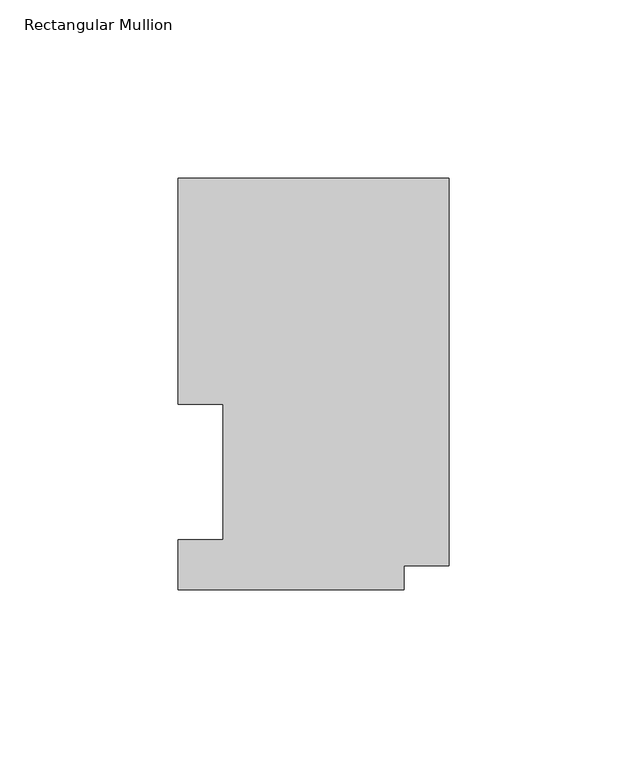
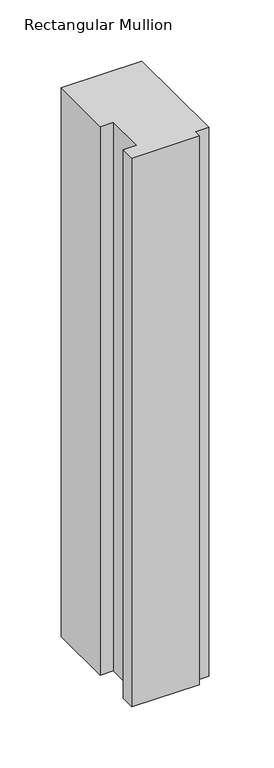
"""IFC4 building model written with IfcOpenShell, lengths in millimetres: member geometry, Rectangular Mullion."""

import ifcopenshell
import ifcopenshell.guid

model = None  # the IFC model being written
_history = None  # IfcOwnerHistory: only IFC2X3 demands one
_inside = {}  # id of a spatial element -> (the spatial element, [elements in it])
_under = {}  # id of a project, library or spatial element -> (it, [spatial elements below it])
_declared = {}  # id of a project -> (the project, [libraries it declares])
_typed = {}  # id of a type object -> (the type object, [elements of that type])
_made_of = {}  # id of a material, layer set ... -> (it, [elements and type objects made of it])


def new_model(schema):
    """Start an empty IFC model of exactly this schema.

    Asked for "IFC4X3", IfcOpenShell would pick the latest addendum, in which some entities
    have other attributes; the version numbers below select the first issue.
    IFC2X3 requires an IfcOwnerHistory on every rooted entity: one is made here for all.
    """
    global model, _history
    if schema == "IFC4X3":
        model = ifcopenshell.file(schema_version=(4, 3, 0, 0))
    else:
        model = ifcopenshell.file(schema=schema)
    _inside.clear()
    _under.clear()
    _declared.clear()
    _typed.clear()
    _made_of.clear()
    _history = None
    if model.schema == "IFC2X3":
        org = make("IfcOrganization", Name="unknown")
        user = make(
            "IfcPersonAndOrganization",
            ThePerson=make("IfcPerson", FamilyName="unknown"),
            TheOrganization=org,
        )
        app = make(
            "IfcApplication",
            ApplicationDeveloper=org,
            Version="unknown",
            ApplicationFullName="unknown",
            ApplicationIdentifier="unknown",
        )
        _history = make(
            "IfcOwnerHistory",
            OwningUser=user,
            OwningApplication=app,
            ChangeAction="ADDED",
            CreationDate=0,
        )
    return model


def make(cls, **values):
    """One entity of the class cls with the attributes given. An attribute that is None is left unset."""
    return model.create_entity(
        cls, **{name: value for name, value in values.items() if value is not None}
    )


def rooted(cls, **values):
    """An entity with a GlobalId (a new one), such as an element, a storey or a relation."""
    return make(cls, GlobalId=ifcopenshell.guid.new(), OwnerHistory=_history, **values)


def si_unit(unit_type, name, prefix=None):
    """IfcSIUnit, for example si_unit("LENGTHUNIT", "METRE", prefix="MILLI")."""
    return make("IfcSIUnit", UnitType=unit_type, Prefix=prefix, Name=name)


def assignment(units):
    """IfcUnitAssignment: the units of a project."""
    return None if units is None else make("IfcUnitAssignment", Units=units)


def point(xyz):
    """IfcCartesianPoint."""
    return None if xyz is None else make("IfcCartesianPoint", Coordinates=xyz)


def direction(xyz):
    """IfcDirection."""
    return None if xyz is None else make("IfcDirection", DirectionRatios=xyz)


def frame(location, z_axis=None, x_axis=None):
    """IfcAxis2Placement3D, a coordinate frame: its origin and axes. An axis left out is left unset."""
    return make(
        "IfcAxis2Placement3D",
        Location=point(location),
        Axis=direction(z_axis),
        RefDirection=direction(x_axis),
    )


def origin():
    """The frame at (0, 0, 0) with its axes left unset."""
    return frame((0.0, 0.0, 0.0))


def place(relative_to, where):
    """IfcLocalPlacement: puts the frame where relative to a parent placement (None: the world)."""
    return make(
        "IfcLocalPlacement", PlacementRelTo=relative_to, RelativePlacement=where
    )


def context(
    kind, dimensions, precision=None, world=None, true_north=None, identifier=None
):
    """IfcGeometricRepresentationContext, for example the 3D "Model" context."""
    return make(
        "IfcGeometricRepresentationContext",
        ContextIdentifier=identifier,
        ContextType=kind,
        CoordinateSpaceDimension=dimensions,
        Precision=precision,
        WorldCoordinateSystem=world,
        TrueNorth=true_north,
    )


def project(units=None, contexts=None):
    """IfcProject with its units and contexts."""
    return rooted(
        "IfcProject",
        Name="project",
        RepresentationContexts=contexts,
        UnitsInContext=assignment(units),
    )


def spatial(cls, under=None, at=None, **own):
    """A site, building, storey or space (cls), placed at a placement, below another one or the project."""
    s = rooted(cls, ObjectPlacement=at, **own)
    if under is not None:
        _under.setdefault(under.id(), (under, []))[1].append(s)
    return s


def polyline(points):
    """IfcPolyline through the points."""
    return make("IfcPolyline", Points=[point(p) for p in points])


def outline(outer, holes=None, kind="AREA"):
    """IfcArbitraryClosedProfileDef: a profile drawn as a closed curve; with holes, ...WithVoids."""
    if holes is None:
        return make("IfcArbitraryClosedProfileDef", ProfileType=kind, OuterCurve=outer)
    return make(
        "IfcArbitraryProfileDefWithVoids",
        ProfileType=kind,
        OuterCurve=outer,
        InnerCurves=holes,
    )


def extrude(swept, where, along, depth):
    """IfcExtrudedAreaSolid: the profile swept, set in the frame where, extruded along a direction by depth."""
    return make(
        "IfcExtrudedAreaSolid",
        SweptArea=swept,
        Position=where,
        ExtrudedDirection=direction(along),
        Depth=depth,
    )


def shape(context_of_items, identifier, shape_type, items):
    """IfcShapeRepresentation: the items that make up one representation, for example the "Body"."""
    return make(
        "IfcShapeRepresentation",
        ContextOfItems=context_of_items,
        RepresentationIdentifier=identifier,
        RepresentationType=shape_type,
        Items=items,
    )


def source(mapping_origin, context_of_items, identifier, shape_type, items):
    """IfcRepresentationMap: a shape defined once, which mapped items show again and again."""
    return make(
        "IfcRepresentationMap",
        MappingOrigin=mapping_origin,
        MappedRepresentation=shape(context_of_items, identifier, shape_type, items),
    )


def transform(
    local_origin,
    x_axis=None,
    y_axis=None,
    z_axis=None,
    scale=None,
    scale2=None,
    scale3=None,
    uniform=True,
):
    """IfcCartesianTransformationOperator3D, or its non-uniform kind. x_axis, y_axis, z_axis: its Axis1, 2, 3."""
    if uniform:
        return make(
            "IfcCartesianTransformationOperator3D",
            Axis1=direction(x_axis),
            Axis2=direction(y_axis),
            LocalOrigin=point(local_origin),
            Scale=scale,
            Axis3=direction(z_axis),
        )
    return make(
        "IfcCartesianTransformationOperator3DnonUniform",
        Axis1=direction(x_axis),
        Axis2=direction(y_axis),
        LocalOrigin=point(local_origin),
        Scale=scale,
        Axis3=direction(z_axis),
        Scale2=scale2,
        Scale3=scale3,
    )


def mapped(mapping_source, mapping_target):
    """IfcMappedItem: shows the shape of a source again, moved by a transform."""
    return make(
        "IfcMappedItem", MappingSource=mapping_source, MappingTarget=mapping_target
    )


def made_of(thing, what):
    """Note that an element or type object is made of a material, layer set ...; save() writes the relation."""
    if what is not None:
        _made_of.setdefault(what.id(), (what, []))[1].append(thing)
    return thing


def element(
    cls,
    number,
    at=None,
    inside=None,
    cuts=None,
    type_object=None,
    material=None,
    context=None,
    identifier="Body",
    shape_type=None,
    held_by="IfcProductDefinitionShape",
    body=None,
    shapes=None,
    **own,
):
    """One element of the class cls, such as IfcWall. Its Tag is "e" and its number.

    at: its placement. inside: the storey or other place that contains it. cuts: it is an
    opening in that element (IfcRelVoidsElement). A single representation is given by context,
    identifier, shape_type and body (its items); several are given by shapes. held_by: the class
    of the entity that holds the representations. save() writes the other relations.
    """
    e = rooted(cls, Tag="e%d" % number, ObjectPlacement=at, **own)
    if body is not None:
        shapes = [shape(context, identifier, shape_type, body)]
    if shapes is not None:
        e.Representation = make(held_by, Representations=shapes)
    if inside is not None:
        _inside.setdefault(inside.id(), (inside, []))[1].append(e)
    if cuts is not None:
        rooted(
            "IfcRelVoidsElement", RelatingBuildingElement=cuts, RelatedOpeningElement=e
        )
    if type_object is not None:
        _typed.setdefault(type_object.id(), (type_object, []))[1].append(e)
    return made_of(e, material)


def aggregate(whole, parts):
    """IfcRelAggregates: a whole, such as a stair, and the parts it consists of."""
    return rooted("IfcRelAggregates", RelatingObject=whole, RelatedObjects=parts)


def save(model, path):
    """Write the relations noted so far, then the file.

    IfcRelAggregates (storeys below a building ...), IfcRelContainedInSpatialStructure (elements
    in a storey), IfcRelDefinesByType, IfcRelAssociatesMaterial and IfcRelDeclares: one each for
    every whole, place, type object, material and project.
    """
    for whole, parts in _under.values():
        aggregate(whole, parts)
    for where, things in _inside.values():
        rooted(
            "IfcRelContainedInSpatialStructure",
            RelatedElements=things,
            RelatingStructure=where,
        )
    for kind, things in _typed.values():
        rooted("IfcRelDefinesByType", RelatedObjects=things, RelatingType=kind)
    for what, things in _made_of.values():
        rooted("IfcRelAssociatesMaterial", RelatedObjects=things, RelatingMaterial=what)
    for by, libraries in _declared.values():
        rooted("IfcRelDeclares", RelatingContext=by, RelatedDefinitions=libraries)
    model.write(path)


def rectangular_mullion_b52d7ed2(model_context):
    return source(origin(), model_context, "Body", "SweptSolid", [
        extrude(outline(polyline([(0.0, 116.0859375), (0.0, 7.1611307), (-12.7, 7.1611307), (-12.7, 0.5159205), (-76.2, 0.5159205), (-76.2, 14.4859375), (-63.5, 14.4859375), (-63.5, 52.5859375), (-76.2, 52.5859375), (-76.2, 116.0859375), (0.0, 116.0859375)])), frame((0.0, 0.0, -547.4101637), z_axis=(0.0, 0.0, 1.0), x_axis=(1.0, 0.0, 0.0)), (0.0, 0.0, 1.0), 547.4101637),
    ])


if __name__ == "__main__":
    model = new_model("IFC4")
    model_context = context("Model", 3, world=origin())
    ifc_project = project(units=[si_unit("LENGTHUNIT", "METRE", prefix="MILLI")], contexts=[model_context])
    site = spatial("IfcSite", under=ifc_project)
    building = spatial("IfcBuilding", under=site)
    placement = place(None, origin())
    rectangular_mullion_shape = rectangular_mullion_b52d7ed2(model_context)
    element("IfcMember", 1, ObjectType="Rectangular Mullion", at=placement, inside=building, context=model_context, shape_type="MappedRepresentation", body=[
        mapped(rectangular_mullion_shape, transform((0.0, 0.0, 0.0), x_axis=(1.0, 0.0, 0.0), y_axis=(0.0, 1.0, 0.0), z_axis=(0.0, 0.0, 1.0))),
    ])
    save(model, "model.ifc")
